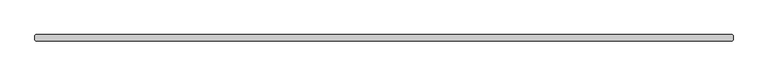
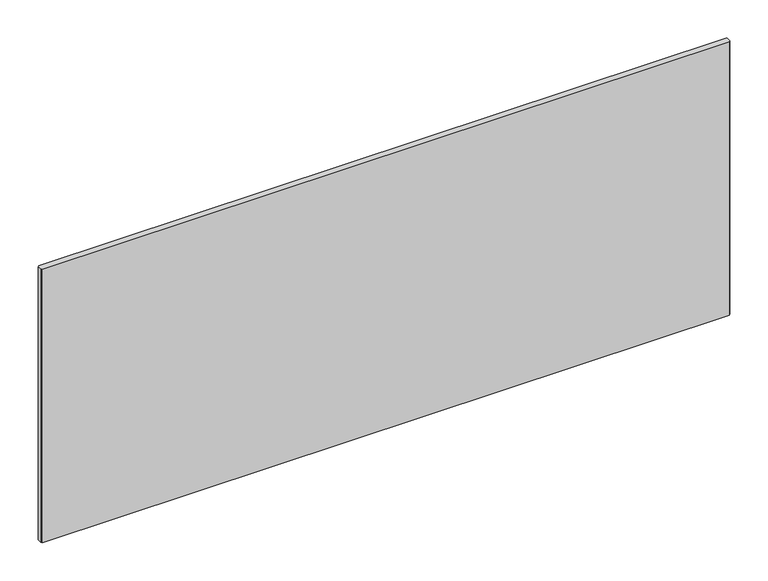
"""IFC4 building model written with IfcOpenShell, lengths in millimetres: plate geometry."""

from ifc_helpers import new_model, si_unit, origin, origin_with_axes, place, context, project, spatial, polyline, outline, extrude, source, transform, mapped, element, save


def plate_8d040a35(model_context):
    return source(origin(), model_context, "Body", "SweptSolid", [
        extrude(outline(polyline([(523.9925622, -34.925), (-523.9925622, -34.925), (-525.5800622, -33.3375), (-525.5800622, -26.9875), (-523.9925622, -25.4), (523.9925622, -25.4), (525.5800622, -26.9875), (525.5800622, -33.3375), (523.9925622, -34.925)])), origin_with_axes(), (0.0, 0.0, 1.0), 441.2289267),
    ])


if __name__ == "__main__":
    model = new_model("IFC4")
    model_context = context("Model", 3, world=origin())
    ifc_project = project(units=[si_unit("LENGTHUNIT", "METRE", prefix="MILLI")], contexts=[model_context])
    site = spatial("IfcSite", under=ifc_project)
    building = spatial("IfcBuilding", under=site)
    placement = place(None, origin())
    plate_shape = plate_8d040a35(model_context)
    element("IfcPlate", 1, at=placement, inside=building, context=model_context, shape_type="MappedRepresentation", body=[
        mapped(plate_shape, transform((0.0, 0.0, 0.0), x_axis=(1.0, 0.0, 0.0), y_axis=(0.0, 1.0, 0.0), z_axis=(0.0, 0.0, 1.0))),
    ])
    save(model, "model.ifc")
